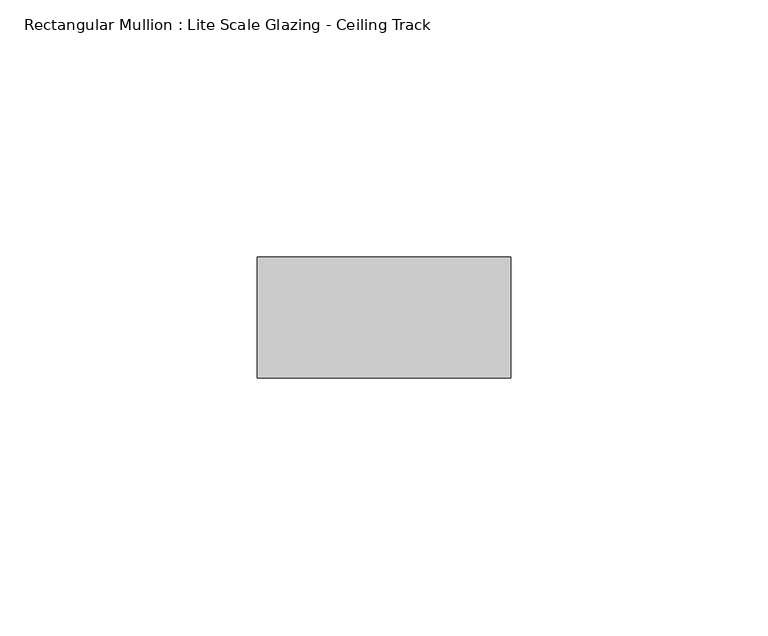
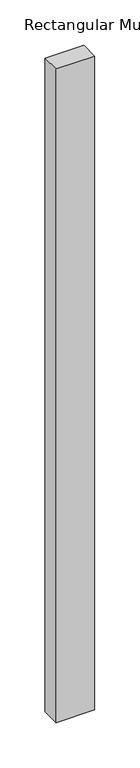
"""IFC4 building model written with IfcOpenShell, lengths in millimetres: member geometry, Rectangular Mullion : Lite Scale Glazing - Ceiling Track."""

from ifc_helpers import new_model, si_unit, frame, origin, place, context, project, spatial, polyline, outline, extrude, source, transform, mapped, element, save


def rectangular_mullion_lite_scale_glazing_ceiling_track_0ac974b4(model_context):
    return source(origin(), model_context, "Body", "SweptSolid", [
        extrude(outline(polyline([(-49.276, -11.7474999), (-49.276, 11.7474999), (0.0, 11.7474999), (0.0, -11.7474999), (-49.276, -11.7474999)])), frame((0.0, 0.0, -878.1034986), z_axis=(0.0, 0.0, 1.0), x_axis=(1.0, 0.0, 0.0)), (0.0, 0.0, 1.0), 878.1034986),
    ])


if __name__ == "__main__":
    model = new_model("IFC4")
    model_context = context("Model", 3, world=origin())
    ifc_project = project(units=[si_unit("LENGTHUNIT", "METRE", prefix="MILLI")], contexts=[model_context])
    site = spatial("IfcSite", under=ifc_project)
    building = spatial("IfcBuilding", under=site)
    placement = place(None, origin())
    rectangular_mullion_lite_scale_glazing_ceiling_track_shape = rectangular_mullion_lite_scale_glazing_ceiling_track_0ac974b4(model_context)
    element("IfcMember", 1, ObjectType="Rectangular Mullion : Lite Scale Glazing - Ceiling Track", at=placement, inside=building, context=model_context, shape_type="MappedRepresentation", body=[
        mapped(rectangular_mullion_lite_scale_glazing_ceiling_track_shape, transform((0.0, 0.0, 0.0), x_axis=(1.0, 0.0, 0.0), y_axis=(0.0, 1.0, 0.0), z_axis=(0.0, 0.0, 1.0))),
    ])
    save(model, "model.ifc")
